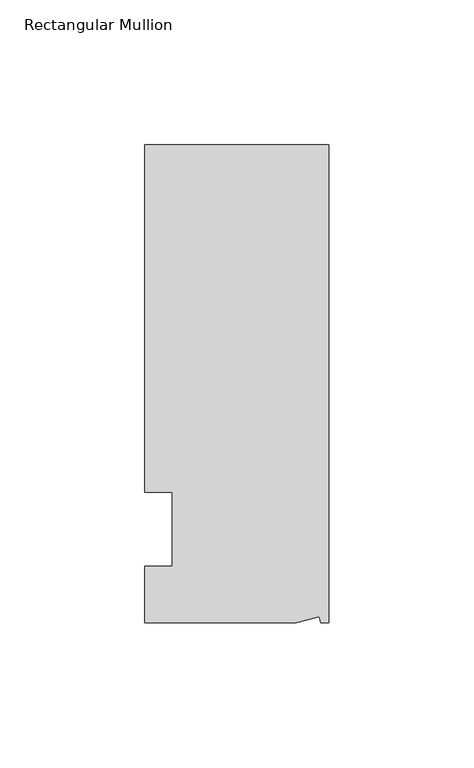
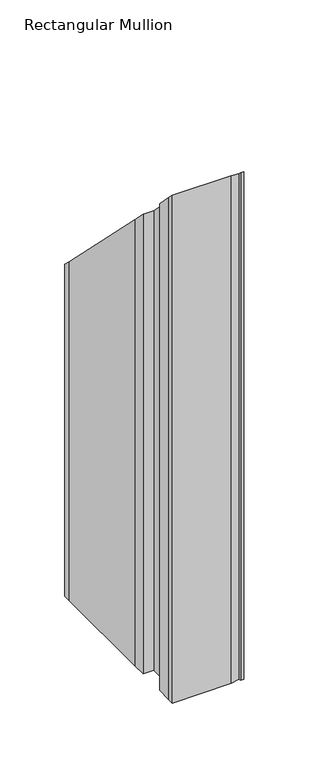
"""IFC4 building model written with IfcOpenShell, lengths in millimetres: member geometry, Rectangular Mullion."""

from ifc_helpers import new_model, si_unit, origin, place, context, project, spatial, faceted_brep, source, transform, mapped, element, save


def rectangular_mullion_76f59336(model_context):
    return source(origin(), model_context, "Body", "Brep", [
        faceted_brep([(-3.3457217, -17.5748952, 17.5748952), (-11.1265412, -19.6597595, 19.6597595), (-11.1265412, -19.6597595, -457.2), (-3.3457217, -17.5748952, -457.2), (-2.787084, -19.6597595, 19.6597595), (-2.787084, -19.6597595, -457.2), (0.0, -19.6597595, 19.6597595), (0.0, -19.6597595, -457.2), (0.0, 145.4402405, -145.4402405), (0.0, 145.4402405, -457.2), (-63.5, 145.4402405, -145.4402405), (-63.5, 145.4402405, -457.2), (-63.5, 38.3358837, -38.3358837), (-63.5, 139.091245, -139.091245), (-63.5, 139.091245, -457.2), (-63.5, 38.3358837, -457.2), (-53.975, 25.4, -25.4), (-63.5, 25.4, -25.4), (-63.5, 25.4, -457.2), (-53.975, 25.4, -457.2), (-53.975, 0.0, 0.0), (-53.975, 0.0, -457.2), (-63.5, 0.0, 0.0), (-63.5, 0.0, -457.2), (-63.5, -13.6200033, 13.6200033), (-63.5, -13.6200033, -457.2), (-63.5, -19.6597595, 19.6597595), (-63.5, -19.6597595, -457.2)], [[[0, 1, 2, 3]], [[4, 0, 3, 5]], [[6, 4, 5, 7]], [[8, 6, 7, 9]], [[10, 8, 9, 11]], [[12, 13, 14, 15]], [[16, 17, 18, 19]], [[20, 16, 19, 21]], [[22, 20, 21, 23]], [[24, 22, 23, 25]], [[1, 26, 27, 2]], [[1, 0, 4, 6, 8, 10, 13, 12, 17, 16, 20, 22, 24, 26]], [[2, 27, 25, 23, 21, 19, 18, 15, 14, 11, 9, 7, 5, 3]], [[13, 10, 11, 14]], [[17, 12, 15, 18]], [[26, 24, 25, 27]]]),
    ])


if __name__ == "__main__":
    model = new_model("IFC4")
    model_context = context("Model", 3, world=origin())
    ifc_project = project(units=[si_unit("LENGTHUNIT", "METRE", prefix="MILLI")], contexts=[model_context])
    site = spatial("IfcSite", under=ifc_project)
    building = spatial("IfcBuilding", under=site)
    placement = place(None, origin())
    rectangular_mullion_shape = rectangular_mullion_76f59336(model_context)
    element("IfcMember", 1, ObjectType="Rectangular Mullion", at=placement, inside=building, context=model_context, shape_type="MappedRepresentation", body=[
        mapped(rectangular_mullion_shape, transform((0.0, 0.0, 0.0), x_axis=(1.0, 0.0, 0.0), y_axis=(0.0, 1.0, 0.0), z_axis=(0.0, 0.0, 1.0))),
    ])
    save(model, "model.ifc")
